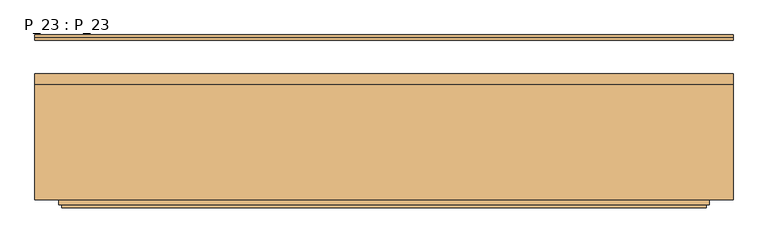
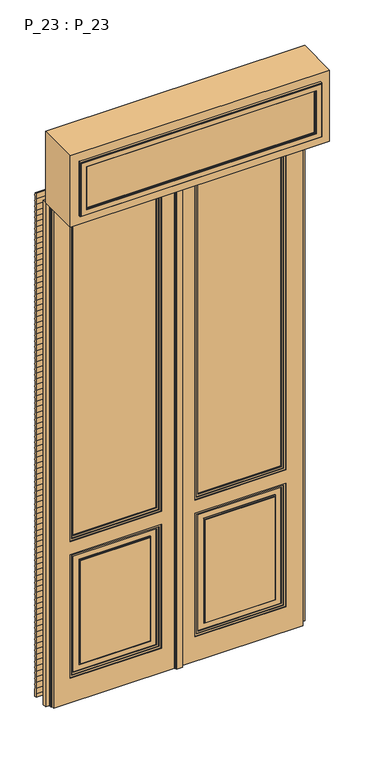
"""IFC4 building model written with IfcOpenShell, lengths in millimetres: door geometry, P_23 : P_23."""

from ifc_helpers import new_model, si_unit, point, frame, frame_2d, origin, origin_with_axes, place, context, project, spatial, polyline, circle_curve, trimmed, segment, composite_curve, outline, extrude, faceted_brep, source, transform, mapped, element, save


def p_23_p_23_68c39ff6(model_context):
    return source(origin(), model_context, "Body", "SolidModel", [
        faceted_brep([(575.0, -271.0115087, 2770.0), (575.0, -271.0115087, 2990.0), (-575.0, -271.0115087, 2990.0), (-575.0, -271.0115087, 2770.0), (610.0, -266.0115087, 3025.0), (610.0, -266.0115087, 2735.0), (-610.0, -266.0115087, 2735.0), (-610.0, -266.0115087, 3025.0), (610.0, -276.0115087, 3025.0), (610.0, -276.0115087, 2735.0), (575.0, -276.0115087, 2770.0), (575.0, -276.0115087, 2990.0), (580.0, -281.0115087, 2995.0), (580.0, -276.0115087, 2995.0), (580.0, -276.0115087, 2765.0), (580.0, -281.0115087, 2765.0), (605.0, -276.0115087, 3020.0), (605.0, -281.0115087, 3020.0), (605.0, -281.0115087, 2740.0), (605.0, -276.0115087, 2740.0), (-610.0, -276.0115087, 2735.0), (-575.0, -276.0115087, 2770.0), (-580.0, -276.0115087, 2765.0), (-580.0, -281.0115087, 2765.0), (-605.0, -281.0115087, 2740.0), (-605.0, -276.0115087, 2740.0), (-610.0, -276.0115087, 3025.0), (-575.0, -276.0115087, 2990.0), (-580.0, -276.0115087, 2995.0), (-580.0, -281.0115087, 2995.0), (-605.0, -281.0115087, 3020.0), (-605.0, -276.0115087, 3020.0)], [[[0, 1, 2, 3]], [[4, 5, 6, 7]], [[4, 8, 9, 5]], [[10, 11, 1, 0]], [[12, 13, 14, 15]], [[16, 17, 18, 19]], [[5, 9, 20, 6]], [[21, 10, 0, 3]], [[15, 14, 22, 23]], [[19, 18, 24, 25]], [[6, 20, 26, 7]], [[27, 21, 3, 2]], [[23, 22, 28, 29]], [[25, 24, 30, 31]], [[8, 4, 7, 26]], [[11, 27, 2, 1]], [[14, 13, 28, 22], [11, 10, 21, 27]], [[13, 12, 29, 28]], [[18, 17, 30, 24], [12, 15, 23, 29]], [[17, 16, 31, 30]], [[9, 8, 26, 20], [16, 19, 25, 31]]]),
        extrude(outline(polyline([(655.0, -266.0115087), (-655.0, -266.0115087), (-655.0, -50.0115087), (655.0, -50.0115087), (655.0, -266.0115087)])), frame((0.0, 0.0, 2690.0), z_axis=(0.0, 0.0, 1.0), x_axis=(1.0, 0.0, 0.0)), (0.0, 0.0, 1.0), 380.0),
        extrude(outline(composite_curve([segment(trimmed(circle_curve(frame_2d((18.319288, 2675.0)), 24.8272094), [point((38.1028753, 2690.0))], [point((38.1028753, 2660.0))], False, "CARTESIAN"), True, "CONTINUOUS"), segment(trimmed(circle_curve(frame_2d((18.319288, 2645.0)), 24.8272094), [point((38.1028753, 2660.0))], [point((38.1028753, 2630.0))], False, "CARTESIAN"), True, "CONTINUOUS"), segment(trimmed(circle_curve(frame_2d((18.319288, 2615.0)), 24.8272094), [point((38.1028753, 2630.0))], [point((38.1028753, 2600.0))], False, "CARTESIAN"), True, "CONTINUOUS"), segment(trimmed(circle_curve(frame_2d((18.319288, 2585.0)), 24.8272094), [point((38.1028753, 2600.0))], [point((38.1028753, 2570.0))], False, "CARTESIAN"), True, "CONTINUOUS"), segment(trimmed(circle_curve(frame_2d((18.319288, 2555.0)), 24.8272094), [point((38.1028753, 2570.0))], [point((38.1028753, 2540.0))], False, "CARTESIAN"), True, "CONTINUOUS"), segment(trimmed(circle_curve(frame_2d((18.319288, 2525.0)), 24.8272094), [point((38.1028753, 2540.0))], [point((38.1028753, 2510.0))], False, "CARTESIAN"), True, "CONTINUOUS"), segment(trimmed(circle_curve(frame_2d((18.319288, 2495.0)), 24.8272094), [point((38.1028753, 2510.0))], [point((38.1028753, 2480.0))], False, "CARTESIAN"), True, "CONTINUOUS"), segment(trimmed(circle_curve(frame_2d((18.319288, 2465.0)), 24.8272094), [point((38.1028753, 2480.0))], [point((38.1028753, 2450.0))], False, "CARTESIAN"), True, "CONTINUOUS"), segment(trimmed(circle_curve(frame_2d((18.319288, 2435.0)), 24.8272094), [point((38.1028753, 2450.0))], [point((38.1028753, 2420.0))], False, "CARTESIAN"), True, "CONTINUOUS"), segment(trimmed(circle_curve(frame_2d((18.319288, 2405.0)), 24.8272094), [point((38.1028753, 2420.0))], [point((38.1028753, 2390.0))], False, "CARTESIAN"), True, "CONTINUOUS"), segment(trimmed(circle_curve(frame_2d((18.319288, 2375.0)), 24.8272094), [point((38.1028753, 2390.0))], [point((38.1028753, 2360.0))], False, "CARTESIAN"), True, "CONTINUOUS"), segment(trimmed(circle_curve(frame_2d((18.319288, 2345.0)), 24.8272094), [point((38.1028753, 2360.0))], [point((38.1028753, 2330.0))], False, "CARTESIAN"), True, "CONTINUOUS"), segment(trimmed(circle_curve(frame_2d((18.319288, 2315.0)), 24.8272094), [point((38.1028753, 2330.0))], [point((38.1028753, 2300.0))], False, "CARTESIAN"), True, "CONTINUOUS"), segment(trimmed(circle_curve(frame_2d((18.319288, 2285.0)), 24.8272094), [point((38.1028753, 2300.0))], [point((38.1028753, 2270.0))], False, "CARTESIAN"), True, "CONTINUOUS"), segment(trimmed(circle_curve(frame_2d((18.319288, 2255.0)), 24.8272094), [point((38.1028753, 2270.0))], [point((38.1028753, 2240.0))], False, "CARTESIAN"), True, "CONTINUOUS"), segment(trimmed(circle_curve(frame_2d((18.319288, 2225.0)), 24.8272094), [point((38.1028753, 2240.0))], [point((38.1028753, 2210.0))], False, "CARTESIAN"), True, "CONTINUOUS"), segment(trimmed(circle_curve(frame_2d((18.319288, 2195.0)), 24.8272094), [point((38.1028753, 2210.0))], [point((38.1028753, 2180.0))], False, "CARTESIAN"), True, "CONTINUOUS"), segment(trimmed(circle_curve(frame_2d((18.319288, 2165.0)), 24.8272094), [point((38.1028753, 2180.0))], [point((38.1028753, 2150.0))], False, "CARTESIAN"), True, "CONTINUOUS"), segment(trimmed(circle_curve(frame_2d((18.319288, 2135.0)), 24.8272094), [point((38.1028753, 2150.0))], [point((38.1028753, 2120.0))], False, "CARTESIAN"), True, "CONTINUOUS"), segment(trimmed(circle_curve(frame_2d((18.319288, 2105.0)), 24.8272094), [point((38.1028753, 2120.0))], [point((38.1028753, 2090.0))], False, "CARTESIAN"), True, "CONTINUOUS"), segment(trimmed(circle_curve(frame_2d((18.319288, 2075.0)), 24.8272094), [point((38.1028753, 2090.0))], [point((38.1028753, 2060.0))], False, "CARTESIAN"), True, "CONTINUOUS"), segment(trimmed(circle_curve(frame_2d((18.319288, 2045.0)), 24.8272094), [point((38.1028753, 2060.0))], [point((38.1028753, 2030.0))], False, "CARTESIAN"), True, "CONTINUOUS"), segment(trimmed(circle_curve(frame_2d((18.319288, 2015.0)), 24.8272094), [point((38.1028753, 2030.0))], [point((38.1028753, 2000.0))], False, "CARTESIAN"), True, "CONTINUOUS"), segment(trimmed(circle_curve(frame_2d((18.319288, 1985.0)), 24.8272094), [point((38.1028753, 2000.0))], [point((38.1028753, 1970.0))], False, "CARTESIAN"), True, "CONTINUOUS"), segment(trimmed(circle_curve(frame_2d((18.319288, 1955.0)), 24.8272094), [point((38.1028753, 1970.0))], [point((38.1028753, 1940.0))], False, "CARTESIAN"), True, "CONTINUOUS"), segment(trimmed(circle_curve(frame_2d((18.319288, 1925.0)), 24.8272094), [point((38.1028753, 1940.0))], [point((38.1028753, 1910.0))], False, "CARTESIAN"), True, "CONTINUOUS"), segment(trimmed(circle_curve(frame_2d((18.319288, 1895.0)), 24.8272094), [point((38.1028753, 1910.0))], [point((38.1028753, 1880.0))], False, "CARTESIAN"), True, "CONTINUOUS"), segment(trimmed(circle_curve(frame_2d((18.319288, 1865.0)), 24.8272094), [point((38.1028753, 1880.0))], [point((38.1028753, 1850.0))], False, "CARTESIAN"), True, "CONTINUOUS"), segment(trimmed(circle_curve(frame_2d((18.319288, 1835.0)), 24.8272094), [point((38.1028753, 1850.0))], [point((38.1028753, 1820.0))], False, "CARTESIAN"), True, "CONTINUOUS"), segment(trimmed(circle_curve(frame_2d((18.319288, 1805.0)), 24.8272094), [point((38.1028753, 1820.0))], [point((38.1028753, 1790.0))], False, "CARTESIAN"), True, "CONTINUOUS"), segment(trimmed(circle_curve(frame_2d((18.319288, 1775.0)), 24.8272094), [point((38.1028753, 1790.0))], [point((38.1028753, 1760.0))], False, "CARTESIAN"), True, "CONTINUOUS"), segment(trimmed(circle_curve(frame_2d((18.319288, 1745.0)), 24.8272094), [point((38.1028753, 1760.0))], [point((38.1028753, 1730.0))], False, "CARTESIAN"), True, "CONTINUOUS"), segment(trimmed(circle_curve(frame_2d((18.319288, 1715.0)), 24.8272094), [point((38.1028753, 1730.0))], [point((38.1028753, 1700.0))], False, "CARTESIAN"), True, "CONTINUOUS"), segment(trimmed(circle_curve(frame_2d((18.319288, 1685.0)), 24.8272094), [point((38.1028753, 1700.0))], [point((38.1028753, 1670.0))], False, "CARTESIAN"), True, "CONTINUOUS"), segment(trimmed(circle_curve(frame_2d((18.319288, 1655.0)), 24.8272094), [point((38.1028753, 1670.0))], [point((38.1028753, 1640.0))], False, "CARTESIAN"), True, "CONTINUOUS"), segment(trimmed(circle_curve(frame_2d((18.319288, 1625.0)), 24.8272094), [point((38.1028753, 1640.0))], [point((38.1028753, 1610.0))], False, "CARTESIAN"), True, "CONTINUOUS"), segment(trimmed(circle_curve(frame_2d((18.319288, 1595.0)), 24.8272094), [point((38.1028753, 1610.0))], [point((38.1028753, 1580.0))], False, "CARTESIAN"), True, "CONTINUOUS"), segment(trimmed(circle_curve(frame_2d((18.319288, 1565.0)), 24.8272094), [point((38.1028753, 1580.0))], [point((38.1028753, 1550.0))], False, "CARTESIAN"), True, "CONTINUOUS"), segment(trimmed(circle_curve(frame_2d((18.319288, 1535.0)), 24.8272094), [point((38.1028753, 1550.0))], [point((38.1028753, 1520.0))], False, "CARTESIAN"), True, "CONTINUOUS"), segment(trimmed(circle_curve(frame_2d((18.319288, 1505.0)), 24.8272094), [point((38.1028753, 1520.0))], [point((38.1028753, 1490.0))], False, "CARTESIAN"), True, "CONTINUOUS"), segment(trimmed(circle_curve(frame_2d((18.319288, 1475.0)), 24.8272094), [point((38.1028753, 1490.0))], [point((38.1028753, 1460.0))], False, "CARTESIAN"), True, "CONTINUOUS"), segment(trimmed(circle_curve(frame_2d((18.319288, 1445.0)), 24.8272094), [point((38.1028753, 1460.0))], [point((38.1028753, 1430.0))], False, "CARTESIAN"), True, "CONTINUOUS"), segment(trimmed(circle_curve(frame_2d((18.319288, 1415.0)), 24.8272094), [point((38.1028753, 1430.0))], [point((38.1028753, 1400.0))], False, "CARTESIAN"), True, "CONTINUOUS"), segment(trimmed(circle_curve(frame_2d((18.319288, 1385.0)), 24.8272094), [point((38.1028753, 1400.0))], [point((38.1028753, 1370.0))], False, "CARTESIAN"), True, "CONTINUOUS"), segment(trimmed(circle_curve(frame_2d((18.319288, 1355.0)), 24.8272094), [point((38.1028753, 1370.0))], [point((38.1028753, 1340.0))], False, "CARTESIAN"), True, "CONTINUOUS"), segment(trimmed(circle_curve(frame_2d((18.319288, 1325.0)), 24.8272094), [point((38.1028753, 1340.0))], [point((38.1028753, 1310.0))], False, "CARTESIAN"), True, "CONTINUOUS"), segment(trimmed(circle_curve(frame_2d((18.319288, 1295.0)), 24.8272094), [point((38.1028753, 1310.0))], [point((38.1028753, 1280.0))], False, "CARTESIAN"), True, "CONTINUOUS"), segment(trimmed(circle_curve(frame_2d((18.319288, 1265.0)), 24.8272094), [point((38.1028753, 1280.0))], [point((38.1028753, 1250.0))], False, "CARTESIAN"), True, "CONTINUOUS"), segment(trimmed(circle_curve(frame_2d((18.319288, 1235.0)), 24.8272094), [point((38.1028753, 1250.0))], [point((38.1028753, 1220.0))], False, "CARTESIAN"), True, "CONTINUOUS"), segment(trimmed(circle_curve(frame_2d((18.319288, 1205.0)), 24.8272094), [point((38.1028753, 1220.0))], [point((38.1028753, 1190.0))], False, "CARTESIAN"), True, "CONTINUOUS"), segment(trimmed(circle_curve(frame_2d((18.319288, 1175.0)), 24.8272094), [point((38.1028753, 1190.0))], [point((38.1028753, 1160.0))], False, "CARTESIAN"), True, "CONTINUOUS"), segment(trimmed(circle_curve(frame_2d((18.319288, 1145.0)), 24.8272094), [point((38.1028753, 1160.0))], [point((38.1028753, 1130.0))], False, "CARTESIAN"), True, "CONTINUOUS"), segment(trimmed(circle_curve(frame_2d((18.319288, 1115.0)), 24.8272094), [point((38.1028753, 1130.0))], [point((38.1028753, 1100.0))], False, "CARTESIAN"), True, "CONTINUOUS"), segment(trimmed(circle_curve(frame_2d((18.319288, 1085.0)), 24.8272094), [point((38.1028753, 1100.0))], [point((38.1028753, 1070.0))], False, "CARTESIAN"), True, "CONTINUOUS"), segment(trimmed(circle_curve(frame_2d((18.319288, 1055.0)), 24.8272094), [point((38.1028753, 1070.0))], [point((38.1028753, 1040.0))], False, "CARTESIAN"), True, "CONTINUOUS"), segment(trimmed(circle_curve(frame_2d((18.319288, 1025.0)), 24.8272094), [point((38.1028753, 1040.0))], [point((38.1028753, 1010.0))], False, "CARTESIAN"), True, "CONTINUOUS"), segment(trimmed(circle_curve(frame_2d((18.319288, 995.0)), 24.8272094), [point((38.1028753, 1010.0))], [point((38.1028753, 980.0))], False, "CARTESIAN"), True, "CONTINUOUS"), segment(trimmed(circle_curve(frame_2d((18.319288, 965.0)), 24.8272094), [point((38.1028753, 980.0))], [point((38.1028753, 950.0))], False, "CARTESIAN"), True, "CONTINUOUS"), segment(trimmed(circle_curve(frame_2d((18.319288, 935.0)), 24.8272094), [point((38.1028753, 950.0))], [point((38.1028753, 920.0))], False, "CARTESIAN"), True, "CONTINUOUS"), segment(trimmed(circle_curve(frame_2d((18.319288, 905.0)), 24.8272094), [point((38.1028753, 920.0))], [point((38.1028753, 890.0))], False, "CARTESIAN"), True, "CONTINUOUS"), segment(trimmed(circle_curve(frame_2d((18.319288, 875.0)), 24.8272094), [point((38.1028753, 890.0))], [point((38.1028753, 860.0))], False, "CARTESIAN"), True, "CONTINUOUS"), segment(trimmed(circle_curve(frame_2d((18.319288, 845.0)), 24.8272094), [point((38.1028753, 860.0))], [point((38.1028753, 830.0))], False, "CARTESIAN"), True, "CONTINUOUS"), segment(trimmed(circle_curve(frame_2d((18.319288, 815.0)), 24.8272094), [point((38.1028753, 830.0))], [point((38.1028753, 800.0))], False, "CARTESIAN"), True, "CONTINUOUS"), segment(trimmed(circle_curve(frame_2d((18.319288, 785.0)), 24.8272094), [point((38.1028753, 800.0))], [point((38.1028753, 770.0))], False, "CARTESIAN"), True, "CONTINUOUS"), segment(trimmed(circle_curve(frame_2d((18.319288, 755.0)), 24.8272094), [point((38.1028753, 770.0))], [point((38.1028753, 740.0))], False, "CARTESIAN"), True, "CONTINUOUS"), segment(trimmed(circle_curve(frame_2d((18.319288, 725.0)), 24.8272094), [point((38.1028753, 740.0))], [point((38.1028753, 710.0))], False, "CARTESIAN"), True, "CONTINUOUS"), segment(trimmed(circle_curve(frame_2d((18.319288, 695.0)), 24.8272094), [point((38.1028753, 710.0))], [point((38.1028753, 680.0))], False, "CARTESIAN"), True, "CONTINUOUS"), segment(trimmed(circle_curve(frame_2d((18.319288, 665.0)), 24.8272094), [point((38.1028753, 680.0))], [point((38.1028753, 650.0))], False, "CARTESIAN"), True, "CONTINUOUS"), segment(trimmed(circle_curve(frame_2d((18.319288, 635.0)), 24.8272094), [point((38.1028753, 650.0))], [point((38.1028753, 620.0))], False, "CARTESIAN"), True, "CONTINUOUS"), segment(trimmed(circle_curve(frame_2d((18.319288, 605.0)), 24.8272094), [point((38.1028753, 620.0))], [point((38.1028753, 590.0))], False, "CARTESIAN"), True, "CONTINUOUS"), segment(trimmed(circle_curve(frame_2d((18.319288, 575.0)), 24.8272094), [point((38.1028753, 590.0))], [point((38.1028753, 560.0))], False, "CARTESIAN"), True, "CONTINUOUS"), segment(trimmed(circle_curve(frame_2d((18.319288, 545.0)), 24.8272094), [point((38.1028753, 560.0))], [point((38.1028753, 530.0))], False, "CARTESIAN"), True, "CONTINUOUS"), segment(trimmed(circle_curve(frame_2d((18.319288, 515.0)), 24.8272094), [point((38.1028753, 530.0))], [point((38.1028753, 500.0))], False, "CARTESIAN"), True, "CONTINUOUS"), segment(trimmed(circle_curve(frame_2d((18.319288, 485.0)), 24.8272094), [point((38.1028753, 500.0))], [point((38.1028753, 470.0))], False, "CARTESIAN"), True, "CONTINUOUS"), segment(trimmed(circle_curve(frame_2d((18.319288, 455.0)), 24.8272094), [point((38.1028753, 470.0))], [point((38.1028753, 440.0))], False, "CARTESIAN"), True, "CONTINUOUS"), segment(trimmed(circle_curve(frame_2d((18.319288, 425.0)), 24.8272094), [point((38.1028753, 440.0))], [point((38.1028753, 410.0))], False, "CARTESIAN"), True, "CONTINUOUS"), segment(trimmed(circle_curve(frame_2d((18.319288, 395.0)), 24.8272094), [point((38.1028753, 410.0))], [point((38.1028753, 380.0))], False, "CARTESIAN"), True, "CONTINUOUS"), segment(trimmed(circle_curve(frame_2d((18.319288, 365.0)), 24.8272094), [point((38.1028753, 380.0))], [point((38.1028753, 350.0))], False, "CARTESIAN"), True, "CONTINUOUS"), segment(trimmed(circle_curve(frame_2d((18.319288, 335.0)), 24.8272094), [point((38.1028753, 350.0))], [point((38.1028753, 320.0))], False, "CARTESIAN"), True, "CONTINUOUS"), segment(trimmed(circle_curve(frame_2d((18.319288, 305.0)), 24.8272094), [point((38.1028753, 320.0))], [point((38.1028753, 290.0))], False, "CARTESIAN"), True, "CONTINUOUS"), segment(trimmed(circle_curve(frame_2d((18.319288, 275.0)), 24.8272094), [point((38.1028753, 290.0))], [point((38.1028753, 260.0))], False, "CARTESIAN"), True, "CONTINUOUS"), segment(trimmed(circle_curve(frame_2d((18.319288, 245.0)), 24.8272094), [point((38.1028753, 260.0))], [point((38.1028753, 230.0))], False, "CARTESIAN"), True, "CONTINUOUS"), segment(trimmed(circle_curve(frame_2d((18.319288, 215.0)), 24.8272094), [point((38.1028753, 230.0))], [point((38.1028753, 200.0))], False, "CARTESIAN"), True, "CONTINUOUS"), segment(trimmed(circle_curve(frame_2d((18.319288, 185.0)), 24.8272094), [point((38.1028753, 200.0))], [point((38.1028753, 170.0))], False, "CARTESIAN"), True, "CONTINUOUS"), segment(trimmed(circle_curve(frame_2d((18.319288, 155.0)), 24.8272094), [point((38.1028753, 170.0))], [point((38.1028753, 140.0))], False, "CARTESIAN"), True, "CONTINUOUS"), segment(trimmed(circle_curve(frame_2d((18.319288, 125.0)), 24.8272094), [point((38.1028753, 140.0))], [point((38.1028753, 110.0))], False, "CARTESIAN"), True, "CONTINUOUS"), segment(trimmed(circle_curve(frame_2d((18.319288, 95.0)), 24.8272094), [point((38.1028753, 110.0))], [point((38.1028753, 80.0))], False, "CARTESIAN"), True, "CONTINUOUS"), segment(trimmed(circle_curve(frame_2d((18.319288, 65.0)), 24.8272094), [point((38.1028753, 80.0))], [point((38.1028753, 50.0))], False, "CARTESIAN"), True, "CONTINUOUS"), segment(trimmed(circle_curve(frame_2d((18.319288, 35.0)), 24.8272094), [point((38.1028753, 50.0))], [point((43.1028753, 36.4710973))], False, "CARTESIAN"), True, "CONTINUOUS"), segment(polyline([(43.1028753, 36.4710973), (43.1028753, 0.0), (33.1028753, 0.0), (33.1028753, 20.0), (33.1028753, 50.0), (33.1028753, 80.0), (33.1028753, 110.0), (33.1028753, 140.0), (33.1028753, 170.0), (33.1028753, 200.0), (33.1028753, 230.0), (33.1028753, 260.0), (33.1028753, 290.0), (33.1028753, 320.0), (33.1028753, 350.0), (33.1028753, 380.0), (33.1028753, 410.0), (33.1028753, 440.0), (33.1028753, 470.0), (33.1028753, 500.0), (33.1028753, 530.0), (33.1028753, 560.0), (33.1028753, 590.0), (33.1028753, 620.0), (33.1028753, 650.0), (33.1028753, 680.0), (33.1028753, 710.0), (33.1028753, 740.0), (33.1028753, 770.0), (33.1028753, 800.0), (33.1028753, 830.0), (33.1028753, 860.0), (33.1028753, 890.0), (33.1028753, 920.0), (33.1028753, 950.0), (33.1028753, 980.0), (33.1028753, 1010.0), (33.1028753, 1040.0), (33.1028753, 1070.0), (33.1028753, 1100.0), (33.1028753, 1130.0), (33.1028753, 1160.0), (33.1028753, 1190.0), (33.1028753, 1220.0), (33.1028753, 1250.0), (33.1028753, 1280.0), (33.1028753, 1310.0), (33.1028753, 1340.0), (33.1028753, 1370.0), (33.1028753, 1400.0), (33.1028753, 1430.0), (33.1028753, 1460.0), (33.1028753, 1490.0), (33.1028753, 1520.0), (33.1028753, 1550.0), (33.1028753, 1580.0), (33.1028753, 1610.0), (33.1028753, 1640.0), (33.1028753, 1670.0), (33.1028753, 1700.0), (33.1028753, 1730.0), (33.1028753, 1760.0), (33.1028753, 1790.0), (33.1028753, 1820.0), (33.1028753, 1850.0), (33.1028753, 1880.0), (33.1028753, 1910.0), (33.1028753, 1940.0), (33.1028753, 1970.0), (33.1028753, 2000.0), (33.1028753, 2030.0), (33.1028753, 2060.0), (33.1028753, 2090.0), (33.1028753, 2120.0), (33.1028753, 2150.0), (33.1028753, 2180.0), (33.1028753, 2210.0), (33.1028753, 2240.0), (33.1028753, 2270.0), (33.1028753, 2300.0), (33.1028753, 2330.0), (33.1028753, 2360.0), (33.1028753, 2390.0), (33.1028753, 2420.0), (33.1028753, 2450.0), (33.1028753, 2480.0), (33.1028753, 2510.0), (33.1028753, 2540.0), (33.1028753, 2570.0), (33.1028753, 2600.0), (33.1028753, 2630.0), (33.1028753, 2660.0), (33.1028753, 2690.0), (38.1028753, 2690.0)]), True, "CONTINUOUS")], self_intersect=False)), frame((-655.0, 0.0, 0.0), z_axis=(1.0, 0.0, 0.0), x_axis=(0.0, 1.0, 0.0)), (0.0, 0.0, 1.0), 1310.0),
        faceted_brep([(-655.0, -50.0115087, 0.0), (-655.0, -30.0115087, 0.0), (-610.0, -30.0115087, 0.0), (-610.0, -43.0115087, 0.0), (-630.0, -43.0115087, 0.0), (-630.0, -50.0115087, 0.0), (-655.0, -50.0115087, 2690.0), (-655.0, -30.0115087, 2690.0), (655.0, -30.0115087, 2690.0), (655.0, -30.0115087, 0.0), (610.0, -30.0115087, 0.0), (610.0, -30.0115087, 2645.0), (-610.0, -30.0115087, 2645.0), (-610.0, -43.0115087, 2645.0), (610.0, -43.0115087, 2645.0), (610.0, -43.0115087, 0.0), (630.0, -43.0115087, 0.0), (630.0, -43.0115087, 2665.0), (-630.0, -43.0115087, 2665.0), (-630.0, -50.0115087, 2665.0), (630.0, -50.0115087, 2665.0), (630.0, -50.0115087, 0.0), (655.0, -50.0115087, 0.0), (655.0, -50.0115087, 2690.0)], [[[0, 1, 2, 3, 4, 5]], [[1, 0, 6, 7]], [[2, 1, 7, 8, 9, 10, 11, 12]], [[3, 2, 12, 13]], [[4, 3, 13, 14, 15, 16, 17, 18]], [[5, 4, 18, 19]], [[0, 5, 19, 20, 21, 22, 23, 6]], [[8, 23, 22, 9]], [[22, 21, 16, 15, 10, 9]], [[14, 11, 10, 15]], [[20, 17, 16, 21]], [[7, 6, 23, 8]], [[13, 12, 11, 14]], [[19, 18, 17, 20]]]),
        extrude(outline(polyline([(0.0, 630.0), (0.0, 635.0), (2670.0, 635.0), (2670.0, 2.5), (2665.0, 2.5), (2665.0, 630.0), (0.0, 630.0)])), frame((0.0, -55.0115087, 0.0), z_axis=(0.0, 1.0, 0.0), x_axis=(0.0, 0.0, 1.0)), (0.0, 0.0, 1.0), 5.0),
        extrude(outline(polyline([(0.0, 630.0), (2665.0, 630.0), (2665.0, 2.5), (0.0, 2.5), (0.0, 630.0)]), holes=[polyline([(130.0, 85.0), (790.0, 85.0), (790.0, 545.0), (130.0, 545.0), (130.0, 85.0)]), polyline([(860.0, 85.0), (2580.0, 85.0), (2580.0, 545.0), (860.0, 545.0), (860.0, 85.0)])]), frame((0.0, -77.0115087, 0.0), z_axis=(0.0, 1.0, 0.0), x_axis=(0.0, 0.0, 1.0)), (0.0, 0.0, 1.0), 12.0),
        extrude(outline(polyline([(0.0, -635.0), (0.0, -630.0), (2665.0, -630.0), (2665.0, -2.5), (2670.0, -2.5), (2670.0, -635.0), (0.0, -635.0)])), frame((0.0, -55.0115087, 0.0), z_axis=(0.0, 1.0, 0.0), x_axis=(0.0, 0.0, 1.0)), (0.0, 0.0, 1.0), 5.0),
        extrude(outline(polyline([(-525.0, -58.0115087), (-105.0, -58.0115087), (-105.0, -62.0115087), (-525.0, -62.0115087), (-525.0, -58.0115087)])), frame((0.0, 0.0, 880.0), z_axis=(0.0, 0.0, 1.0), x_axis=(1.0, 0.0, 0.0)), (0.0, 0.0, 1.0), 1680.0),
        extrude(outline(polyline([(105.0, -58.0115087), (525.0, -58.0115087), (525.0, -62.0115087), (105.0, -62.0115087), (105.0, -58.0115087)])), frame((0.0, 0.0, 880.0), z_axis=(0.0, 0.0, 1.0), x_axis=(1.0, 0.0, 0.0)), (0.0, 0.0, 1.0), 1680.0),
        extrude(outline(polyline([(-15.0, -77.0115087), (15.0, -77.0115087), (15.0, -87.0115087), (-15.0, -87.0115087), (-15.0, -77.0115087)])), origin_with_axes(), (0.0, 0.0, 1.0), 2670.0),
        extrude(outline(polyline([(15.0, -77.0115087), (20.0, -77.0115087), (20.0, -82.0115087), (15.0, -82.0115087), (15.0, -77.0115087)])), origin_with_axes(), (0.0, 0.0, 1.0), 2670.0),
        extrude(outline(polyline([(-20.0, -77.0115087), (-15.0, -77.0115087), (-15.0, -82.0115087), (-20.0, -82.0115087), (-20.0, -77.0115087)])), origin_with_axes(), (0.0, 0.0, 1.0), 2670.0),
        extrude(outline(polyline([(2570.0, -95.0), (2570.0, -535.0), (870.0, -535.0), (870.0, -95.0), (2570.0, -95.0)]), holes=[polyline([(2560.0, -105.0), (880.0, -105.0), (880.0, -525.0), (2560.0, -525.0), (2560.0, -105.0)])]), frame((0.0, -55.0115087, 0.0), z_axis=(0.0, 1.0, 0.0), x_axis=(0.0, 0.0, 1.0)), (0.0, 0.0, 1.0), 4.0),
        extrude(outline(polyline([(780.0, -95.0), (780.0, -535.0), (140.0, -535.0), (140.0, -95.0), (780.0, -95.0)]), holes=[polyline([(770.0, -105.0), (150.0, -105.0), (150.0, -525.0), (770.0, -525.0), (770.0, -105.0)])]), frame((0.0, -55.0115087, 0.0), z_axis=(0.0, 1.0, 0.0), x_axis=(0.0, 0.0, 1.0)), (0.0, 0.0, 1.0), 4.0),
        extrude(outline(polyline([(740.0, -135.0), (740.0, -495.0), (180.0, -495.0), (180.0, -135.0), (740.0, -135.0)]), holes=[polyline([(735.0, -140.0), (185.0, -140.0), (185.0, -490.0), (735.0, -490.0), (735.0, -140.0)])]), frame((0.0, -55.0115087, 0.0), z_axis=(0.0, 1.0, 0.0), x_axis=(0.0, 0.0, 1.0)), (0.0, 0.0, 1.0), 4.0),
        extrude(outline(polyline([(130.0, -545.0), (130.0, -85.0), (790.0, -85.0), (790.0, -545.0), (130.0, -545.0)]), holes=[polyline([(780.0, -95.0), (140.0, -95.0), (140.0, -535.0), (780.0, -535.0), (780.0, -95.0)])]), frame((0.0, -55.0115087, 0.0), z_axis=(0.0, 1.0, 0.0), x_axis=(0.0, 0.0, 1.0)), (0.0, 0.0, 1.0), 8.0),
        extrude(outline(polyline([(2580.0, -85.0), (2580.0, -545.0), (860.0, -545.0), (860.0, -85.0), (2580.0, -85.0)]), holes=[polyline([(2570.0, -95.0), (870.0, -95.0), (870.0, -535.0), (2570.0, -535.0), (2570.0, -95.0)])]), frame((0.0, -55.0115087, 0.0), z_axis=(0.0, 1.0, 0.0), x_axis=(0.0, 0.0, 1.0)), (0.0, 0.0, 1.0), 8.0),
        extrude(outline(polyline([(0.0, -630.0), (0.0, -2.5), (2665.0, -2.5), (2665.0, -630.0), (0.0, -630.0)]), holes=[polyline([(860.0, -85.0), (860.0, -545.0), (2580.0, -545.0), (2580.0, -85.0), (860.0, -85.0)]), polyline([(130.0, -85.0), (130.0, -545.0), (790.0, -545.0), (790.0, -85.0), (130.0, -85.0)])]), frame((0.0, -55.0115087, 0.0), z_axis=(0.0, 1.0, 0.0), x_axis=(0.0, 0.0, 1.0)), (0.0, 0.0, 1.0), 12.0),
        extrude(outline(polyline([(780.0, 95.0), (140.0, 95.0), (140.0, 535.0), (780.0, 535.0), (780.0, 95.0)]), holes=[polyline([(770.0, 105.0), (770.0, 525.0), (150.0, 525.0), (150.0, 105.0), (770.0, 105.0)])]), frame((0.0, -55.0115087, 0.0), z_axis=(0.0, 1.0, 0.0), x_axis=(0.0, 0.0, 1.0)), (0.0, 0.0, 1.0), 4.0),
        extrude(outline(polyline([(740.0, 135.0), (180.0, 135.0), (180.0, 495.0), (740.0, 495.0), (740.0, 135.0)]), holes=[polyline([(735.0, 140.0), (735.0, 490.0), (185.0, 490.0), (185.0, 140.0), (735.0, 140.0)])]), frame((0.0, -55.0115087, 0.0), z_axis=(0.0, 1.0, 0.0), x_axis=(0.0, 0.0, 1.0)), (0.0, 0.0, 1.0), 4.0),
        extrude(outline(polyline([(2570.0, 95.0), (870.0, 95.0), (870.0, 535.0), (2570.0, 535.0), (2570.0, 95.0)]), holes=[polyline([(2560.0, 105.0), (2560.0, 525.0), (880.0, 525.0), (880.0, 105.0), (2560.0, 105.0)])]), frame((0.0, -55.0115087, 0.0), z_axis=(0.0, 1.0, 0.0), x_axis=(0.0, 0.0, 1.0)), (0.0, 0.0, 1.0), 4.0),
        extrude(outline(polyline([(2580.0, 85.0), (860.0, 85.0), (860.0, 545.0), (2580.0, 545.0), (2580.0, 85.0)]), holes=[polyline([(2570.0, 95.0), (2570.0, 535.0), (870.0, 535.0), (870.0, 95.0), (2570.0, 95.0)])]), frame((0.0, -55.0115087, 0.0), z_axis=(0.0, 1.0, 0.0), x_axis=(0.0, 0.0, 1.0)), (0.0, 0.0, 1.0), 8.0),
        extrude(outline(polyline([(130.0, 545.0), (790.0, 545.0), (790.0, 85.0), (130.0, 85.0), (130.0, 545.0)]), holes=[polyline([(780.0, 95.0), (780.0, 535.0), (140.0, 535.0), (140.0, 95.0), (780.0, 95.0)])]), frame((0.0, -55.0115087, 0.0), z_axis=(0.0, 1.0, 0.0), x_axis=(0.0, 0.0, 1.0)), (0.0, 0.0, 1.0), 8.0),
        extrude(outline(polyline([(0.0, 630.0), (2665.0, 630.0), (2665.0, 2.5), (0.0, 2.5), (0.0, 630.0)]), holes=[polyline([(860.0, 85.0), (2580.0, 85.0), (2580.0, 545.0), (860.0, 545.0), (860.0, 85.0)]), polyline([(130.0, 85.0), (790.0, 85.0), (790.0, 545.0), (130.0, 545.0), (130.0, 85.0)])]), frame((0.0, -55.0115087, 0.0), z_axis=(0.0, 1.0, 0.0), x_axis=(0.0, 0.0, 1.0)), (0.0, 0.0, 1.0), 12.0),
        extrude(outline(polyline([(780.0, -95.0), (780.0, -535.0), (140.0, -535.0), (140.0, -95.0), (780.0, -95.0)]), holes=[polyline([(770.0, -105.0), (150.0, -105.0), (150.0, -525.0), (770.0, -525.0), (770.0, -105.0)])]), frame((0.0, -69.0115087, 0.0), z_axis=(0.0, 1.0, 0.0), x_axis=(0.0, 0.0, 1.0)), (0.0, 0.0, 1.0), 4.0),
        extrude(outline(polyline([(740.0, -135.0), (740.0, -495.0), (180.0, -495.0), (180.0, -135.0), (740.0, -135.0)]), holes=[polyline([(735.0, -140.0), (185.0, -140.0), (185.0, -490.0), (735.0, -490.0), (735.0, -140.0)])]), frame((0.0, -69.0115087, 0.0), z_axis=(0.0, 1.0, 0.0), x_axis=(0.0, 0.0, 1.0)), (0.0, 0.0, 1.0), 4.0),
        extrude(outline(polyline([(2570.0, -95.0), (2570.0, -535.0), (870.0, -535.0), (870.0, -95.0), (2570.0, -95.0)]), holes=[polyline([(2560.0, -105.0), (880.0, -105.0), (880.0, -525.0), (2560.0, -525.0), (2560.0, -105.0)])]), frame((0.0, -69.0115087, 0.0), z_axis=(0.0, 1.0, 0.0), x_axis=(0.0, 0.0, 1.0)), (0.0, 0.0, 1.0), 4.0),
        extrude(outline(polyline([(2580.0, -85.0), (2580.0, -545.0), (860.0, -545.0), (860.0, -85.0), (2580.0, -85.0)]), holes=[polyline([(2570.0, -95.0), (870.0, -95.0), (870.0, -535.0), (2570.0, -535.0), (2570.0, -95.0)])]), frame((0.0, -73.0115087, 0.0), z_axis=(0.0, 1.0, 0.0), x_axis=(0.0, 0.0, 1.0)), (0.0, 0.0, 1.0), 8.0),
        extrude(outline(polyline([(130.0, -545.0), (130.0, -85.0), (790.0, -85.0), (790.0, -545.0), (130.0, -545.0)]), holes=[polyline([(780.0, -95.0), (140.0, -95.0), (140.0, -535.0), (780.0, -535.0), (780.0, -95.0)])]), frame((0.0, -73.0115087, 0.0), z_axis=(0.0, 1.0, 0.0), x_axis=(0.0, 0.0, 1.0)), (0.0, 0.0, 1.0), 8.0),
        extrude(outline(polyline([(0.0, -630.0), (0.0, -2.5), (2665.0, -2.5), (2665.0, -630.0), (0.0, -630.0)]), holes=[polyline([(860.0, -85.0), (860.0, -545.0), (2580.0, -545.0), (2580.0, -85.0), (860.0, -85.0)]), polyline([(130.0, -85.0), (130.0, -545.0), (790.0, -545.0), (790.0, -85.0), (130.0, -85.0)])]), frame((0.0, -77.0115087, 0.0), z_axis=(0.0, 1.0, 0.0), x_axis=(0.0, 0.0, 1.0)), (0.0, 0.0, 1.0), 12.0),
        extrude(outline(polyline([(2670.0, -2.5), (2670.0, -635.0), (0.0, -635.0), (0.0, -2.5), (2670.0, -2.5)]), holes=[polyline([(2560.0, -525.0), (2560.0, -105.0), (880.0, -105.0), (880.0, -525.0), (2560.0, -525.0)])]), frame((0.0, -65.0115087, 0.0), z_axis=(0.0, 1.0, 0.0), x_axis=(0.0, 0.0, 1.0)), (0.0, 0.0, 1.0), 10.0),
        extrude(outline(polyline([(2670.0, 2.5), (0.0, 2.5), (0.0, 635.0), (2670.0, 635.0), (2670.0, 2.5)]), holes=[polyline([(2560.0, 105.0), (2560.0, 525.0), (880.0, 525.0), (880.0, 105.0), (2560.0, 105.0)])]), frame((0.0, -65.0115087, 0.0), z_axis=(0.0, 1.0, 0.0), x_axis=(0.0, 0.0, 1.0)), (0.0, 0.0, 1.0), 10.0),
        extrude(outline(polyline([(2570.0, 95.0), (870.0, 95.0), (870.0, 535.0), (2570.0, 535.0), (2570.0, 95.0)]), holes=[polyline([(2560.0, 105.0), (2560.0, 525.0), (880.0, 525.0), (880.0, 105.0), (2560.0, 105.0)])]), frame((0.0, -69.0115087, 0.0), z_axis=(0.0, 1.0, 0.0), x_axis=(0.0, 0.0, 1.0)), (0.0, 0.0, 1.0), 4.0),
        extrude(outline(polyline([(780.0, 95.0), (140.0, 95.0), (140.0, 535.0), (780.0, 535.0), (780.0, 95.0)]), holes=[polyline([(770.0, 105.0), (770.0, 525.0), (150.0, 525.0), (150.0, 105.0), (770.0, 105.0)])]), frame((0.0, -69.0115087, 0.0), z_axis=(0.0, 1.0, 0.0), x_axis=(0.0, 0.0, 1.0)), (0.0, 0.0, 1.0), 4.0),
        extrude(outline(polyline([(740.0, 135.0), (180.0, 135.0), (180.0, 495.0), (740.0, 495.0), (740.0, 135.0)]), holes=[polyline([(735.0, 140.0), (735.0, 490.0), (185.0, 490.0), (185.0, 140.0), (735.0, 140.0)])]), frame((0.0, -69.0115087, 0.0), z_axis=(0.0, 1.0, 0.0), x_axis=(0.0, 0.0, 1.0)), (0.0, 0.0, 1.0), 4.0),
        extrude(outline(polyline([(130.0, 545.0), (790.0, 545.0), (790.0, 85.0), (130.0, 85.0), (130.0, 545.0)]), holes=[polyline([(780.0, 95.0), (780.0, 535.0), (140.0, 535.0), (140.0, 95.0), (780.0, 95.0)])]), frame((0.0, -73.0115087, 0.0), z_axis=(0.0, 1.0, 0.0), x_axis=(0.0, 0.0, 1.0)), (0.0, 0.0, 1.0), 8.0),
        extrude(outline(polyline([(2580.0, 85.0), (860.0, 85.0), (860.0, 545.0), (2580.0, 545.0), (2580.0, 85.0)]), holes=[polyline([(2570.0, 95.0), (2570.0, 535.0), (870.0, 535.0), (870.0, 95.0), (2570.0, 95.0)])]), frame((0.0, -73.0115087, 0.0), z_axis=(0.0, 1.0, 0.0), x_axis=(0.0, 0.0, 1.0)), (0.0, 0.0, 1.0), 8.0),
        extrude(outline(polyline([(-140.0, -55.0115087), (-490.0, -55.0115087), (-490.0, -47.0115087), (-140.0, -47.0115087), (-140.0, -55.0115087)])), frame((0.0, 0.0, 185.0), z_axis=(0.0, 0.0, 1.0), x_axis=(1.0, 0.0, 0.0)), (0.0, 0.0, 1.0), 550.0),
        extrude(outline(polyline([(490.0, -55.0115087), (140.0, -55.0115087), (140.0, -47.0115087), (490.0, -47.0115087), (490.0, -55.0115087)])), frame((0.0, 0.0, 185.0), z_axis=(0.0, 0.0, 1.0), x_axis=(1.0, 0.0, 0.0)), (0.0, 0.0, 1.0), 550.0),
        extrude(outline(polyline([(-490.0, -65.0115087), (-140.0, -65.0115087), (-140.0, -73.0115087), (-490.0, -73.0115087), (-490.0, -65.0115087)])), frame((0.0, 0.0, 185.0), z_axis=(0.0, 0.0, 1.0), x_axis=(1.0, 0.0, 0.0)), (0.0, 0.0, 1.0), 550.0),
        extrude(outline(polyline([(140.0, -65.0115087), (490.0, -65.0115087), (490.0, -73.0115087), (140.0, -73.0115087), (140.0, -65.0115087)])), frame((0.0, 0.0, 185.0), z_axis=(0.0, 0.0, 1.0), x_axis=(1.0, 0.0, 0.0)), (0.0, 0.0, 1.0), 550.0),
    ])


if __name__ == "__main__":
    model = new_model("IFC4")
    model_context = context("Model", 3, world=origin())
    ifc_project = project(units=[si_unit("LENGTHUNIT", "METRE", prefix="MILLI")], contexts=[model_context])
    site = spatial("IfcSite", under=ifc_project)
    building = spatial("IfcBuilding", under=site)
    placement = place(None, origin())
    p_23_p_23_shape = p_23_p_23_68c39ff6(model_context)
    element("IfcDoor", 1, ObjectType="P_23 : P_23", at=placement, inside=building, context=model_context, shape_type="MappedRepresentation", body=[
        mapped(p_23_p_23_shape, transform((0.0, 0.0, 0.0), x_axis=(1.0, 0.0, 0.0), y_axis=(0.0, 1.0, 0.0), z_axis=(0.0, 0.0, 1.0))),
    ])
    save(model, "model.ifc")
